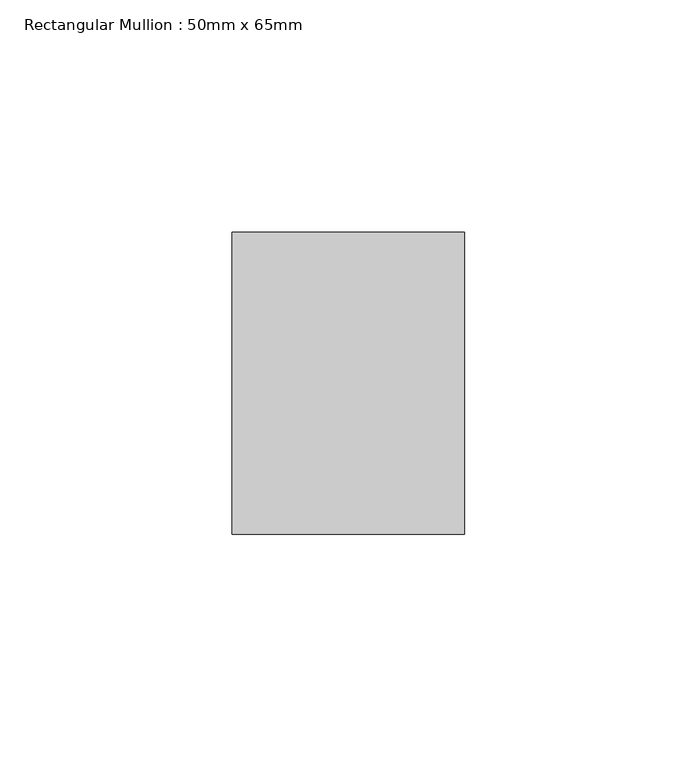
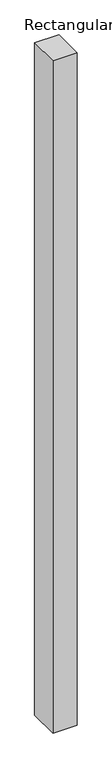
"""IFC4 building model written with IfcOpenShell, lengths in millimetres: member geometry, Rectangular Mullion : 50mm x 65mm."""

import ifcopenshell
import ifcopenshell.guid

model = None  # the IFC model being written
_history = None  # IfcOwnerHistory: only IFC2X3 demands one
_inside = {}  # id of a spatial element -> (the spatial element, [elements in it])
_under = {}  # id of a project, library or spatial element -> (it, [spatial elements below it])
_declared = {}  # id of a project -> (the project, [libraries it declares])
_typed = {}  # id of a type object -> (the type object, [elements of that type])
_made_of = {}  # id of a material, layer set ... -> (it, [elements and type objects made of it])


def new_model(schema):
    """Start an empty IFC model of exactly this schema.

    Asked for "IFC4X3", IfcOpenShell would pick the latest addendum, in which some entities
    have other attributes; the version numbers below select the first issue.
    IFC2X3 requires an IfcOwnerHistory on every rooted entity: one is made here for all.
    """
    global model, _history
    if schema == "IFC4X3":
        model = ifcopenshell.file(schema_version=(4, 3, 0, 0))
    else:
        model = ifcopenshell.file(schema=schema)
    _inside.clear()
    _under.clear()
    _declared.clear()
    _typed.clear()
    _made_of.clear()
    _history = None
    if model.schema == "IFC2X3":
        org = make("IfcOrganization", Name="unknown")
        user = make(
            "IfcPersonAndOrganization",
            ThePerson=make("IfcPerson", FamilyName="unknown"),
            TheOrganization=org,
        )
        app = make(
            "IfcApplication",
            ApplicationDeveloper=org,
            Version="unknown",
            ApplicationFullName="unknown",
            ApplicationIdentifier="unknown",
        )
        _history = make(
            "IfcOwnerHistory",
            OwningUser=user,
            OwningApplication=app,
            ChangeAction="ADDED",
            CreationDate=0,
        )
    return model


def make(cls, **values):
    """One entity of the class cls with the attributes given. An attribute that is None is left unset."""
    return model.create_entity(
        cls, **{name: value for name, value in values.items() if value is not None}
    )


def rooted(cls, **values):
    """An entity with a GlobalId (a new one), such as an element, a storey or a relation."""
    return make(cls, GlobalId=ifcopenshell.guid.new(), OwnerHistory=_history, **values)


def si_unit(unit_type, name, prefix=None):
    """IfcSIUnit, for example si_unit("LENGTHUNIT", "METRE", prefix="MILLI")."""
    return make("IfcSIUnit", UnitType=unit_type, Prefix=prefix, Name=name)


def assignment(units):
    """IfcUnitAssignment: the units of a project."""
    return None if units is None else make("IfcUnitAssignment", Units=units)


def point(xyz):
    """IfcCartesianPoint."""
    return None if xyz is None else make("IfcCartesianPoint", Coordinates=xyz)


def direction(xyz):
    """IfcDirection."""
    return None if xyz is None else make("IfcDirection", DirectionRatios=xyz)


def frame(location, z_axis=None, x_axis=None):
    """IfcAxis2Placement3D, a coordinate frame: its origin and axes. An axis left out is left unset."""
    return make(
        "IfcAxis2Placement3D",
        Location=point(location),
        Axis=direction(z_axis),
        RefDirection=direction(x_axis),
    )


def origin():
    """The frame at (0, 0, 0) with its axes left unset."""
    return frame((0.0, 0.0, 0.0))


def place(relative_to, where):
    """IfcLocalPlacement: puts the frame where relative to a parent placement (None: the world)."""
    return make(
        "IfcLocalPlacement", PlacementRelTo=relative_to, RelativePlacement=where
    )


def context(
    kind, dimensions, precision=None, world=None, true_north=None, identifier=None
):
    """IfcGeometricRepresentationContext, for example the 3D "Model" context."""
    return make(
        "IfcGeometricRepresentationContext",
        ContextIdentifier=identifier,
        ContextType=kind,
        CoordinateSpaceDimension=dimensions,
        Precision=precision,
        WorldCoordinateSystem=world,
        TrueNorth=true_north,
    )


def project(units=None, contexts=None):
    """IfcProject with its units and contexts."""
    return rooted(
        "IfcProject",
        Name="project",
        RepresentationContexts=contexts,
        UnitsInContext=assignment(units),
    )


def spatial(cls, under=None, at=None, **own):
    """A site, building, storey or space (cls), placed at a placement, below another one or the project."""
    s = rooted(cls, ObjectPlacement=at, **own)
    if under is not None:
        _under.setdefault(under.id(), (under, []))[1].append(s)
    return s


def polyline(points):
    """IfcPolyline through the points."""
    return make("IfcPolyline", Points=[point(p) for p in points])


def outline(outer, holes=None, kind="AREA"):
    """IfcArbitraryClosedProfileDef: a profile drawn as a closed curve; with holes, ...WithVoids."""
    if holes is None:
        return make("IfcArbitraryClosedProfileDef", ProfileType=kind, OuterCurve=outer)
    return make(
        "IfcArbitraryProfileDefWithVoids",
        ProfileType=kind,
        OuterCurve=outer,
        InnerCurves=holes,
    )


def extrude(swept, where, along, depth):
    """IfcExtrudedAreaSolid: the profile swept, set in the frame where, extruded along a direction by depth."""
    return make(
        "IfcExtrudedAreaSolid",
        SweptArea=swept,
        Position=where,
        ExtrudedDirection=direction(along),
        Depth=depth,
    )


def shape(context_of_items, identifier, shape_type, items):
    """IfcShapeRepresentation: the items that make up one representation, for example the "Body"."""
    return make(
        "IfcShapeRepresentation",
        ContextOfItems=context_of_items,
        RepresentationIdentifier=identifier,
        RepresentationType=shape_type,
        Items=items,
    )


def source(mapping_origin, context_of_items, identifier, shape_type, items):
    """IfcRepresentationMap: a shape defined once, which mapped items show again and again."""
    return make(
        "IfcRepresentationMap",
        MappingOrigin=mapping_origin,
        MappedRepresentation=shape(context_of_items, identifier, shape_type, items),
    )


def transform(
    local_origin,
    x_axis=None,
    y_axis=None,
    z_axis=None,
    scale=None,
    scale2=None,
    scale3=None,
    uniform=True,
):
    """IfcCartesianTransformationOperator3D, or its non-uniform kind. x_axis, y_axis, z_axis: its Axis1, 2, 3."""
    if uniform:
        return make(
            "IfcCartesianTransformationOperator3D",
            Axis1=direction(x_axis),
            Axis2=direction(y_axis),
            LocalOrigin=point(local_origin),
            Scale=scale,
            Axis3=direction(z_axis),
        )
    return make(
        "IfcCartesianTransformationOperator3DnonUniform",
        Axis1=direction(x_axis),
        Axis2=direction(y_axis),
        LocalOrigin=point(local_origin),
        Scale=scale,
        Axis3=direction(z_axis),
        Scale2=scale2,
        Scale3=scale3,
    )


def mapped(mapping_source, mapping_target):
    """IfcMappedItem: shows the shape of a source again, moved by a transform."""
    return make(
        "IfcMappedItem", MappingSource=mapping_source, MappingTarget=mapping_target
    )


def made_of(thing, what):
    """Note that an element or type object is made of a material, layer set ...; save() writes the relation."""
    if what is not None:
        _made_of.setdefault(what.id(), (what, []))[1].append(thing)
    return thing


def element(
    cls,
    number,
    at=None,
    inside=None,
    cuts=None,
    type_object=None,
    material=None,
    context=None,
    identifier="Body",
    shape_type=None,
    held_by="IfcProductDefinitionShape",
    body=None,
    shapes=None,
    **own,
):
    """One element of the class cls, such as IfcWall. Its Tag is "e" and its number.

    at: its placement. inside: the storey or other place that contains it. cuts: it is an
    opening in that element (IfcRelVoidsElement). A single representation is given by context,
    identifier, shape_type and body (its items); several are given by shapes. held_by: the class
    of the entity that holds the representations. save() writes the other relations.
    """
    e = rooted(cls, Tag="e%d" % number, ObjectPlacement=at, **own)
    if body is not None:
        shapes = [shape(context, identifier, shape_type, body)]
    if shapes is not None:
        e.Representation = make(held_by, Representations=shapes)
    if inside is not None:
        _inside.setdefault(inside.id(), (inside, []))[1].append(e)
    if cuts is not None:
        rooted(
            "IfcRelVoidsElement", RelatingBuildingElement=cuts, RelatedOpeningElement=e
        )
    if type_object is not None:
        _typed.setdefault(type_object.id(), (type_object, []))[1].append(e)
    return made_of(e, material)


def aggregate(whole, parts):
    """IfcRelAggregates: a whole, such as a stair, and the parts it consists of."""
    return rooted("IfcRelAggregates", RelatingObject=whole, RelatedObjects=parts)


def save(model, path):
    """Write the relations noted so far, then the file.

    IfcRelAggregates (storeys below a building ...), IfcRelContainedInSpatialStructure (elements
    in a storey), IfcRelDefinesByType, IfcRelAssociatesMaterial and IfcRelDeclares: one each for
    every whole, place, type object, material and project.
    """
    for whole, parts in _under.values():
        aggregate(whole, parts)
    for where, things in _inside.values():
        rooted(
            "IfcRelContainedInSpatialStructure",
            RelatedElements=things,
            RelatingStructure=where,
        )
    for kind, things in _typed.values():
        rooted("IfcRelDefinesByType", RelatedObjects=things, RelatingType=kind)
    for what, things in _made_of.values():
        rooted("IfcRelAssociatesMaterial", RelatedObjects=things, RelatingMaterial=what)
    for by, libraries in _declared.values():
        rooted("IfcRelDeclares", RelatingContext=by, RelatedDefinitions=libraries)
    model.write(path)


def rectangular_mullion_50mm_x_65mm_bc05dc4f(model_context):
    return source(origin(), model_context, "Body", "SweptSolid", [
        extrude(outline(polyline([(25.0, 32.5), (25.0, -32.5), (-25.0, -32.5), (-25.0, 32.5), (25.0, 32.5)])), frame((0.0, 0.0, -1473.715917), z_axis=(0.0, 0.0, 1.0), x_axis=(1.0, 0.0, 0.0)), (0.0, 0.0, 1.0), 1473.715917),
    ])


if __name__ == "__main__":
    model = new_model("IFC4")
    model_context = context("Model", 3, world=origin())
    ifc_project = project(units=[si_unit("LENGTHUNIT", "METRE", prefix="MILLI")], contexts=[model_context])
    site = spatial("IfcSite", under=ifc_project)
    building = spatial("IfcBuilding", under=site)
    placement = place(None, origin())
    rectangular_mullion_50mm_x_65mm_shape = rectangular_mullion_50mm_x_65mm_bc05dc4f(model_context)
    element("IfcMember", 1, ObjectType="Rectangular Mullion : 50mm x 65mm", at=placement, inside=building, context=model_context, shape_type="MappedRepresentation", body=[
        mapped(rectangular_mullion_50mm_x_65mm_shape, transform((0.0, 0.0, 0.0), x_axis=(1.0, 0.0, 0.0), y_axis=(0.0, 1.0, 0.0), z_axis=(0.0, 0.0, 1.0))),
    ])
    save(model, "model.ifc")
